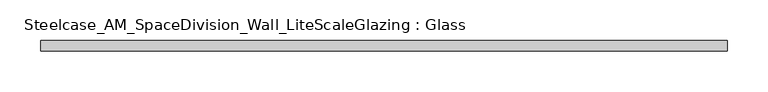
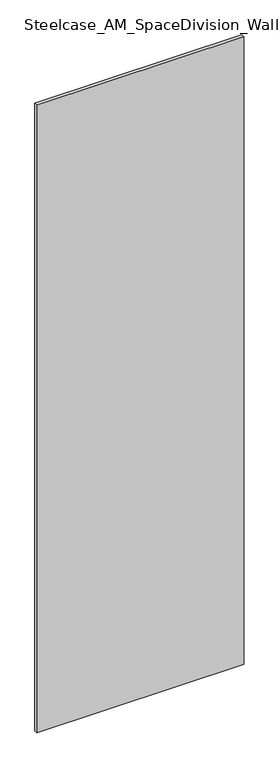
"""IFC4 building model written with IfcOpenShell, lengths in millimetres: plate geometry, Steelcase_AM_SpaceDivision_Wall_LiteScaleGlazing : Glass."""

import ifcopenshell
import ifcopenshell.guid

model = None  # the IFC model being written
_history = None  # IfcOwnerHistory: only IFC2X3 demands one
_inside = {}  # id of a spatial element -> (the spatial element, [elements in it])
_under = {}  # id of a project, library or spatial element -> (it, [spatial elements below it])
_declared = {}  # id of a project -> (the project, [libraries it declares])
_typed = {}  # id of a type object -> (the type object, [elements of that type])
_made_of = {}  # id of a material, layer set ... -> (it, [elements and type objects made of it])


def new_model(schema):
    """Start an empty IFC model of exactly this schema.

    Asked for "IFC4X3", IfcOpenShell would pick the latest addendum, in which some entities
    have other attributes; the version numbers below select the first issue.
    IFC2X3 requires an IfcOwnerHistory on every rooted entity: one is made here for all.
    """
    global model, _history
    if schema == "IFC4X3":
        model = ifcopenshell.file(schema_version=(4, 3, 0, 0))
    else:
        model = ifcopenshell.file(schema=schema)
    _inside.clear()
    _under.clear()
    _declared.clear()
    _typed.clear()
    _made_of.clear()
    _history = None
    if model.schema == "IFC2X3":
        org = make("IfcOrganization", Name="unknown")
        user = make(
            "IfcPersonAndOrganization",
            ThePerson=make("IfcPerson", FamilyName="unknown"),
            TheOrganization=org,
        )
        app = make(
            "IfcApplication",
            ApplicationDeveloper=org,
            Version="unknown",
            ApplicationFullName="unknown",
            ApplicationIdentifier="unknown",
        )
        _history = make(
            "IfcOwnerHistory",
            OwningUser=user,
            OwningApplication=app,
            ChangeAction="ADDED",
            CreationDate=0,
        )
    return model


def make(cls, **values):
    """One entity of the class cls with the attributes given. An attribute that is None is left unset."""
    return model.create_entity(
        cls, **{name: value for name, value in values.items() if value is not None}
    )


def rooted(cls, **values):
    """An entity with a GlobalId (a new one), such as an element, a storey or a relation."""
    return make(cls, GlobalId=ifcopenshell.guid.new(), OwnerHistory=_history, **values)


def si_unit(unit_type, name, prefix=None):
    """IfcSIUnit, for example si_unit("LENGTHUNIT", "METRE", prefix="MILLI")."""
    return make("IfcSIUnit", UnitType=unit_type, Prefix=prefix, Name=name)


def assignment(units):
    """IfcUnitAssignment: the units of a project."""
    return None if units is None else make("IfcUnitAssignment", Units=units)


def point(xyz):
    """IfcCartesianPoint."""
    return None if xyz is None else make("IfcCartesianPoint", Coordinates=xyz)


def direction(xyz):
    """IfcDirection."""
    return None if xyz is None else make("IfcDirection", DirectionRatios=xyz)


def frame(location, z_axis=None, x_axis=None):
    """IfcAxis2Placement3D, a coordinate frame: its origin and axes. An axis left out is left unset."""
    return make(
        "IfcAxis2Placement3D",
        Location=point(location),
        Axis=direction(z_axis),
        RefDirection=direction(x_axis),
    )


def origin():
    """The frame at (0, 0, 0) with its axes left unset."""
    return frame((0.0, 0.0, 0.0))


def origin_with_axes():
    """The frame at (0, 0, 0) with the z axis (0, 0, 1) and the x axis (1, 0, 0) written out."""
    return frame((0.0, 0.0, 0.0), z_axis=(0.0, 0.0, 1.0), x_axis=(1.0, 0.0, 0.0))


def place(relative_to, where):
    """IfcLocalPlacement: puts the frame where relative to a parent placement (None: the world)."""
    return make(
        "IfcLocalPlacement", PlacementRelTo=relative_to, RelativePlacement=where
    )


def context(
    kind, dimensions, precision=None, world=None, true_north=None, identifier=None
):
    """IfcGeometricRepresentationContext, for example the 3D "Model" context."""
    return make(
        "IfcGeometricRepresentationContext",
        ContextIdentifier=identifier,
        ContextType=kind,
        CoordinateSpaceDimension=dimensions,
        Precision=precision,
        WorldCoordinateSystem=world,
        TrueNorth=true_north,
    )


def project(units=None, contexts=None):
    """IfcProject with its units and contexts."""
    return rooted(
        "IfcProject",
        Name="project",
        RepresentationContexts=contexts,
        UnitsInContext=assignment(units),
    )


def spatial(cls, under=None, at=None, **own):
    """A site, building, storey or space (cls), placed at a placement, below another one or the project."""
    s = rooted(cls, ObjectPlacement=at, **own)
    if under is not None:
        _under.setdefault(under.id(), (under, []))[1].append(s)
    return s


def polyline(points):
    """IfcPolyline through the points."""
    return make("IfcPolyline", Points=[point(p) for p in points])


def outline(outer, holes=None, kind="AREA"):
    """IfcArbitraryClosedProfileDef: a profile drawn as a closed curve; with holes, ...WithVoids."""
    if holes is None:
        return make("IfcArbitraryClosedProfileDef", ProfileType=kind, OuterCurve=outer)
    return make(
        "IfcArbitraryProfileDefWithVoids",
        ProfileType=kind,
        OuterCurve=outer,
        InnerCurves=holes,
    )


def extrude(swept, where, along, depth):
    """IfcExtrudedAreaSolid: the profile swept, set in the frame where, extruded along a direction by depth."""
    return make(
        "IfcExtrudedAreaSolid",
        SweptArea=swept,
        Position=where,
        ExtrudedDirection=direction(along),
        Depth=depth,
    )


def shape(context_of_items, identifier, shape_type, items):
    """IfcShapeRepresentation: the items that make up one representation, for example the "Body"."""
    return make(
        "IfcShapeRepresentation",
        ContextOfItems=context_of_items,
        RepresentationIdentifier=identifier,
        RepresentationType=shape_type,
        Items=items,
    )


def source(mapping_origin, context_of_items, identifier, shape_type, items):
    """IfcRepresentationMap: a shape defined once, which mapped items show again and again."""
    return make(
        "IfcRepresentationMap",
        MappingOrigin=mapping_origin,
        MappedRepresentation=shape(context_of_items, identifier, shape_type, items),
    )


def transform(
    local_origin,
    x_axis=None,
    y_axis=None,
    z_axis=None,
    scale=None,
    scale2=None,
    scale3=None,
    uniform=True,
):
    """IfcCartesianTransformationOperator3D, or its non-uniform kind. x_axis, y_axis, z_axis: its Axis1, 2, 3."""
    if uniform:
        return make(
            "IfcCartesianTransformationOperator3D",
            Axis1=direction(x_axis),
            Axis2=direction(y_axis),
            LocalOrigin=point(local_origin),
            Scale=scale,
            Axis3=direction(z_axis),
        )
    return make(
        "IfcCartesianTransformationOperator3DnonUniform",
        Axis1=direction(x_axis),
        Axis2=direction(y_axis),
        LocalOrigin=point(local_origin),
        Scale=scale,
        Axis3=direction(z_axis),
        Scale2=scale2,
        Scale3=scale3,
    )


def mapped(mapping_source, mapping_target):
    """IfcMappedItem: shows the shape of a source again, moved by a transform."""
    return make(
        "IfcMappedItem", MappingSource=mapping_source, MappingTarget=mapping_target
    )


def made_of(thing, what):
    """Note that an element or type object is made of a material, layer set ...; save() writes the relation."""
    if what is not None:
        _made_of.setdefault(what.id(), (what, []))[1].append(thing)
    return thing


def element(
    cls,
    number,
    at=None,
    inside=None,
    cuts=None,
    type_object=None,
    material=None,
    context=None,
    identifier="Body",
    shape_type=None,
    held_by="IfcProductDefinitionShape",
    body=None,
    shapes=None,
    **own,
):
    """One element of the class cls, such as IfcWall. Its Tag is "e" and its number.

    at: its placement. inside: the storey or other place that contains it. cuts: it is an
    opening in that element (IfcRelVoidsElement). A single representation is given by context,
    identifier, shape_type and body (its items); several are given by shapes. held_by: the class
    of the entity that holds the representations. save() writes the other relations.
    """
    e = rooted(cls, Tag="e%d" % number, ObjectPlacement=at, **own)
    if body is not None:
        shapes = [shape(context, identifier, shape_type, body)]
    if shapes is not None:
        e.Representation = make(held_by, Representations=shapes)
    if inside is not None:
        _inside.setdefault(inside.id(), (inside, []))[1].append(e)
    if cuts is not None:
        rooted(
            "IfcRelVoidsElement", RelatingBuildingElement=cuts, RelatedOpeningElement=e
        )
    if type_object is not None:
        _typed.setdefault(type_object.id(), (type_object, []))[1].append(e)
    return made_of(e, material)


def aggregate(whole, parts):
    """IfcRelAggregates: a whole, such as a stair, and the parts it consists of."""
    return rooted("IfcRelAggregates", RelatingObject=whole, RelatedObjects=parts)


def save(model, path):
    """Write the relations noted so far, then the file.

    IfcRelAggregates (storeys below a building ...), IfcRelContainedInSpatialStructure (elements
    in a storey), IfcRelDefinesByType, IfcRelAssociatesMaterial and IfcRelDeclares: one each for
    every whole, place, type object, material and project.
    """
    for whole, parts in _under.values():
        aggregate(whole, parts)
    for where, things in _inside.values():
        rooted(
            "IfcRelContainedInSpatialStructure",
            RelatedElements=things,
            RelatingStructure=where,
        )
    for kind, things in _typed.values():
        rooted("IfcRelDefinesByType", RelatedObjects=things, RelatingType=kind)
    for what, things in _made_of.values():
        rooted("IfcRelAssociatesMaterial", RelatedObjects=things, RelatingMaterial=what)
    for by, libraries in _declared.values():
        rooted("IfcRelDeclares", RelatingContext=by, RelatedDefinitions=libraries)
    model.write(path)


def steelcase_am_spacedivision_wall_litescaleglazing_glass_6403f3bf(model_context):
    return source(origin(), model_context, "Body", "SweptSolid", [
        extrude(outline(polyline([(-420.243, -6.349956), (-420.243, 6.3502015), (420.243, 6.3502015), (420.243, -6.349956), (-420.243, -6.349956)])), origin_with_axes(), (0.0, 0.0, 1.0), 2693.924),
    ])


if __name__ == "__main__":
    model = new_model("IFC4")
    model_context = context("Model", 3, world=origin())
    ifc_project = project(units=[si_unit("LENGTHUNIT", "METRE", prefix="MILLI")], contexts=[model_context])
    site = spatial("IfcSite", under=ifc_project)
    building = spatial("IfcBuilding", under=site)
    placement = place(None, origin())
    steelcase_am_spacedivision_wall_litescaleglazing_glass_shape = steelcase_am_spacedivision_wall_litescaleglazing_glass_6403f3bf(model_context)
    element("IfcPlate", 1, ObjectType="Steelcase_AM_SpaceDivision_Wall_LiteScaleGlazing : Glass", at=placement, inside=building, context=model_context, shape_type="MappedRepresentation", body=[
        mapped(steelcase_am_spacedivision_wall_litescaleglazing_glass_shape, transform((0.0, 0.0, 0.0), x_axis=(1.0, 0.0, 0.0), y_axis=(0.0, 1.0, 0.0), z_axis=(0.0, 0.0, 1.0))),
    ])
    save(model, "model.ifc")
